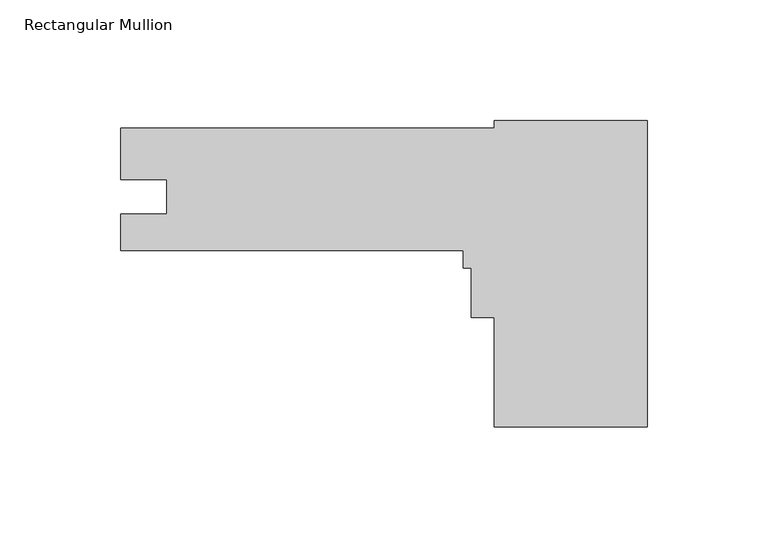
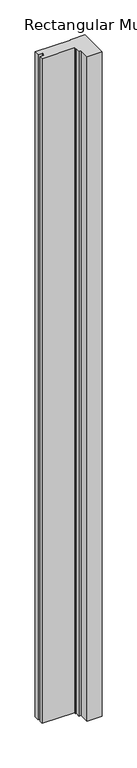
"""IFC4 building model written with IfcOpenShell, lengths in millimetres: member geometry, Rectangular Mullion."""

from ifc_helpers import new_model, si_unit, frame, origin, place, context, project, spatial, polyline, outline, extrude, source, transform, mapped, element, save


def rectangular_mullion_eaf2be1a(model_context):
    return source(origin(), model_context, "Body", "SweptSolid", [
        extrude(outline(polyline([(-63.5, -65.2446461), (-63.5, -19.9549845), (-73.025, -19.9549845), (-73.025, 0.6698155), (-76.2, 0.6698155), (-76.2, 7.8323615), (-218.1860015, 7.8323615), (-218.1860015, 22.9326615), (-199.1614015, 22.9326615), (-199.1614015, 37.2455549), (-218.1860003, 37.2455549), (-218.1860003, 58.6323615), (-63.5, 58.6323615), (-63.5, 61.7553539), (0.0, 61.7553539), (0.0, -65.2446461), (-63.5, -65.2446461)])), frame((0.0, 0.0, -3048.0), z_axis=(0.0, 0.0, 1.0), x_axis=(1.0, 0.0, 0.0)), (0.0, 0.0, 1.0), 3048.0),
    ])


if __name__ == "__main__":
    model = new_model("IFC4")
    model_context = context("Model", 3, world=origin())
    ifc_project = project(units=[si_unit("LENGTHUNIT", "METRE", prefix="MILLI")], contexts=[model_context])
    site = spatial("IfcSite", under=ifc_project)
    building = spatial("IfcBuilding", under=site)
    placement = place(None, origin())
    rectangular_mullion_shape = rectangular_mullion_eaf2be1a(model_context)
    element("IfcMember", 1, ObjectType="Rectangular Mullion", at=placement, inside=building, context=model_context, shape_type="MappedRepresentation", body=[
        mapped(rectangular_mullion_shape, transform((0.0, 0.0, 0.0), x_axis=(1.0, 0.0, 0.0), y_axis=(0.0, 1.0, 0.0), z_axis=(0.0, 0.0, 1.0))),
    ])
    save(model, "model.ifc")
